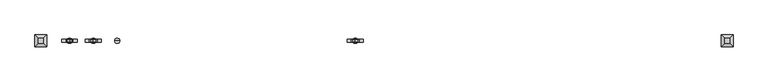
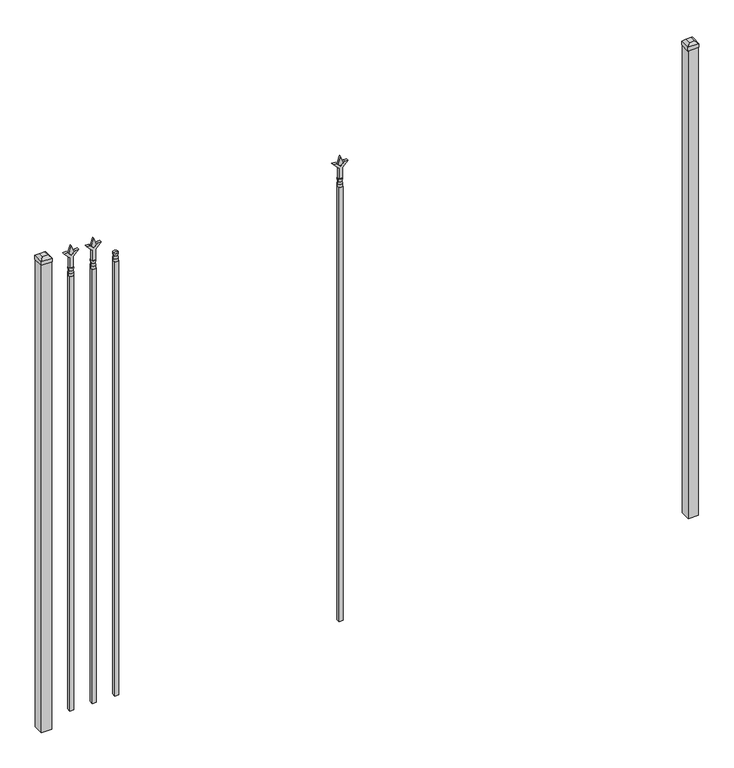
"""IFC4 building model written with IfcOpenShell, lengths in millimetres: railing geometry."""

import ifcopenshell
import ifcopenshell.guid

model = None  # the IFC model being written
_history = None  # IfcOwnerHistory: only IFC2X3 demands one
_inside = {}  # id of a spatial element -> (the spatial element, [elements in it])
_under = {}  # id of a project, library or spatial element -> (it, [spatial elements below it])
_declared = {}  # id of a project -> (the project, [libraries it declares])
_typed = {}  # id of a type object -> (the type object, [elements of that type])
_made_of = {}  # id of a material, layer set ... -> (it, [elements and type objects made of it])


def new_model(schema):
    """Start an empty IFC model of exactly this schema.

    Asked for "IFC4X3", IfcOpenShell would pick the latest addendum, in which some entities
    have other attributes; the version numbers below select the first issue.
    IFC2X3 requires an IfcOwnerHistory on every rooted entity: one is made here for all.
    """
    global model, _history
    if schema == "IFC4X3":
        model = ifcopenshell.file(schema_version=(4, 3, 0, 0))
    else:
        model = ifcopenshell.file(schema=schema)
    _inside.clear()
    _under.clear()
    _declared.clear()
    _typed.clear()
    _made_of.clear()
    _history = None
    if model.schema == "IFC2X3":
        org = make("IfcOrganization", Name="unknown")
        user = make(
            "IfcPersonAndOrganization",
            ThePerson=make("IfcPerson", FamilyName="unknown"),
            TheOrganization=org,
        )
        app = make(
            "IfcApplication",
            ApplicationDeveloper=org,
            Version="unknown",
            ApplicationFullName="unknown",
            ApplicationIdentifier="unknown",
        )
        _history = make(
            "IfcOwnerHistory",
            OwningUser=user,
            OwningApplication=app,
            ChangeAction="ADDED",
            CreationDate=0,
        )
    return model


def make(cls, **values):
    """One entity of the class cls with the attributes given. An attribute that is None is left unset."""
    return model.create_entity(
        cls, **{name: value for name, value in values.items() if value is not None}
    )


def rooted(cls, **values):
    """An entity with a GlobalId (a new one), such as an element, a storey or a relation."""
    return make(cls, GlobalId=ifcopenshell.guid.new(), OwnerHistory=_history, **values)


def si_unit(unit_type, name, prefix=None):
    """IfcSIUnit, for example si_unit("LENGTHUNIT", "METRE", prefix="MILLI")."""
    return make("IfcSIUnit", UnitType=unit_type, Prefix=prefix, Name=name)


def assignment(units):
    """IfcUnitAssignment: the units of a project."""
    return None if units is None else make("IfcUnitAssignment", Units=units)


def point(xyz):
    """IfcCartesianPoint."""
    return None if xyz is None else make("IfcCartesianPoint", Coordinates=xyz)


def direction(xyz):
    """IfcDirection."""
    return None if xyz is None else make("IfcDirection", DirectionRatios=xyz)


def frame(location, z_axis=None, x_axis=None):
    """IfcAxis2Placement3D, a coordinate frame: its origin and axes. An axis left out is left unset."""
    return make(
        "IfcAxis2Placement3D",
        Location=point(location),
        Axis=direction(z_axis),
        RefDirection=direction(x_axis),
    )


def origin():
    """The frame at (0, 0, 0) with its axes left unset."""
    return frame((0.0, 0.0, 0.0))


def origin_with_axes():
    """The frame at (0, 0, 0) with the z axis (0, 0, 1) and the x axis (1, 0, 0) written out."""
    return frame((0.0, 0.0, 0.0), z_axis=(0.0, 0.0, 1.0), x_axis=(1.0, 0.0, 0.0))


def place(relative_to, where):
    """IfcLocalPlacement: puts the frame where relative to a parent placement (None: the world)."""
    return make(
        "IfcLocalPlacement", PlacementRelTo=relative_to, RelativePlacement=where
    )


def context(
    kind, dimensions, precision=None, world=None, true_north=None, identifier=None
):
    """IfcGeometricRepresentationContext, for example the 3D "Model" context."""
    return make(
        "IfcGeometricRepresentationContext",
        ContextIdentifier=identifier,
        ContextType=kind,
        CoordinateSpaceDimension=dimensions,
        Precision=precision,
        WorldCoordinateSystem=world,
        TrueNorth=true_north,
    )


def project(units=None, contexts=None):
    """IfcProject with its units and contexts."""
    return rooted(
        "IfcProject",
        Name="project",
        RepresentationContexts=contexts,
        UnitsInContext=assignment(units),
    )


def spatial(cls, under=None, at=None, **own):
    """A site, building, storey or space (cls), placed at a placement, below another one or the project."""
    s = rooted(cls, ObjectPlacement=at, **own)
    if under is not None:
        _under.setdefault(under.id(), (under, []))[1].append(s)
    return s


def polyline(points):
    """IfcPolyline through the points."""
    return make("IfcPolyline", Points=[point(p) for p in points])


def circle_curve(where, radius):
    """IfcCircle in the frame where."""
    return make("IfcCircle", Position=where, Radius=radius)


def outline(outer, holes=None, kind="AREA"):
    """IfcArbitraryClosedProfileDef: a profile drawn as a closed curve; with holes, ...WithVoids."""
    if holes is None:
        return make("IfcArbitraryClosedProfileDef", ProfileType=kind, OuterCurve=outer)
    return make(
        "IfcArbitraryProfileDefWithVoids",
        ProfileType=kind,
        OuterCurve=outer,
        InnerCurves=holes,
    )


def extrude(swept, where, along, depth):
    """IfcExtrudedAreaSolid: the profile swept, set in the frame where, extruded along a direction by depth."""
    return make(
        "IfcExtrudedAreaSolid",
        SweptArea=swept,
        Position=where,
        ExtrudedDirection=direction(along),
        Depth=depth,
    )


def faces_of(points, faces, orient=None, outer=None):
    """IfcFace entities. A face is a list of loops; a loop is a list of indices into points, from 0.

    orient and outer hold one flag for each loop. By default every Orientation is true, the
    first loop of a face is its IfcFaceOuterBound and the others are IfcFaceBound.
    """
    made = []
    for i, loops in enumerate(faces):
        bounds = []
        for j, loop in enumerate(loops):
            is_outer = j == 0 if outer is None else outer[i][j]
            bounds.append(
                make(
                    "IfcFaceOuterBound" if is_outer else "IfcFaceBound",
                    Bound=make("IfcPolyLoop", Polygon=[points[k] for k in loop]),
                    Orientation=True if orient is None else orient[i][j],
                )
            )
        made.append(make("IfcFace", Bounds=bounds))
    return made


def faceted_brep(points, faces, orient=None, outer=None, voids=None):
    """IfcFacetedBrep: a solid bounded by flat faces; with voids (closed shells), ...WithVoids."""
    shared = [point(p) for p in points]
    hull = make("IfcClosedShell", CfsFaces=faces_of(shared, faces, orient, outer))
    if voids is None:
        return make("IfcFacetedBrep", Outer=hull)
    return make(
        "IfcFacetedBrepWithVoids",
        Outer=hull,
        Voids=[
            make(cls, CfsFaces=faces_of(shared, fs, o, b)) for cls, fs, o, b in voids
        ],
    )


def shape(context_of_items, identifier, shape_type, items):
    """IfcShapeRepresentation: the items that make up one representation, for example the "Body"."""
    return make(
        "IfcShapeRepresentation",
        ContextOfItems=context_of_items,
        RepresentationIdentifier=identifier,
        RepresentationType=shape_type,
        Items=items,
    )


def source(mapping_origin, context_of_items, identifier, shape_type, items):
    """IfcRepresentationMap: a shape defined once, which mapped items show again and again."""
    return make(
        "IfcRepresentationMap",
        MappingOrigin=mapping_origin,
        MappedRepresentation=shape(context_of_items, identifier, shape_type, items),
    )


def transform(
    local_origin,
    x_axis=None,
    y_axis=None,
    z_axis=None,
    scale=None,
    scale2=None,
    scale3=None,
    uniform=True,
):
    """IfcCartesianTransformationOperator3D, or its non-uniform kind. x_axis, y_axis, z_axis: its Axis1, 2, 3."""
    if uniform:
        return make(
            "IfcCartesianTransformationOperator3D",
            Axis1=direction(x_axis),
            Axis2=direction(y_axis),
            LocalOrigin=point(local_origin),
            Scale=scale,
            Axis3=direction(z_axis),
        )
    return make(
        "IfcCartesianTransformationOperator3DnonUniform",
        Axis1=direction(x_axis),
        Axis2=direction(y_axis),
        LocalOrigin=point(local_origin),
        Scale=scale,
        Axis3=direction(z_axis),
        Scale2=scale2,
        Scale3=scale3,
    )


def mapped(mapping_source, mapping_target):
    """IfcMappedItem: shows the shape of a source again, moved by a transform."""
    return make(
        "IfcMappedItem", MappingSource=mapping_source, MappingTarget=mapping_target
    )


def made_of(thing, what):
    """Note that an element or type object is made of a material, layer set ...; save() writes the relation."""
    if what is not None:
        _made_of.setdefault(what.id(), (what, []))[1].append(thing)
    return thing


def element(
    cls,
    number,
    at=None,
    inside=None,
    cuts=None,
    type_object=None,
    material=None,
    context=None,
    identifier="Body",
    shape_type=None,
    held_by="IfcProductDefinitionShape",
    body=None,
    shapes=None,
    **own,
):
    """One element of the class cls, such as IfcWall. Its Tag is "e" and its number.

    at: its placement. inside: the storey or other place that contains it. cuts: it is an
    opening in that element (IfcRelVoidsElement). A single representation is given by context,
    identifier, shape_type and body (its items); several are given by shapes. held_by: the class
    of the entity that holds the representations. save() writes the other relations.
    """
    e = rooted(cls, Tag="e%d" % number, ObjectPlacement=at, **own)
    if body is not None:
        shapes = [shape(context, identifier, shape_type, body)]
    if shapes is not None:
        e.Representation = make(held_by, Representations=shapes)
    if inside is not None:
        _inside.setdefault(inside.id(), (inside, []))[1].append(e)
    if cuts is not None:
        rooted(
            "IfcRelVoidsElement", RelatingBuildingElement=cuts, RelatedOpeningElement=e
        )
    if type_object is not None:
        _typed.setdefault(type_object.id(), (type_object, []))[1].append(e)
    return made_of(e, material)


def aggregate(whole, parts):
    """IfcRelAggregates: a whole, such as a stair, and the parts it consists of."""
    return rooted("IfcRelAggregates", RelatingObject=whole, RelatedObjects=parts)


def save(model, path):
    """Write the relations noted so far, then the file.

    IfcRelAggregates (storeys below a building ...), IfcRelContainedInSpatialStructure (elements
    in a storey), IfcRelDefinesByType, IfcRelAssociatesMaterial and IfcRelDeclares: one each for
    every whole, place, type object, material and project.
    """
    for whole, parts in _under.values():
        aggregate(whole, parts)
    for where, things in _inside.values():
        rooted(
            "IfcRelContainedInSpatialStructure",
            RelatedElements=things,
            RelatingStructure=where,
        )
    for kind, things in _typed.values():
        rooted("IfcRelDefinesByType", RelatedObjects=things, RelatingType=kind)
    for what, things in _made_of.values():
        rooted("IfcRelAssociatesMaterial", RelatedObjects=things, RelatingMaterial=what)
    for by, libraries in _declared.values():
        rooted("IfcRelDeclares", RelatingContext=by, RelatedDefinitions=libraries)
    model.write(path)


def plane_surface(at):
    """IfcPlane: the flat surface through the origin of the frame at, square to its z axis."""
    return make("IfcPlane", Position=at)


def cylinder_surface(at, radius):
    """IfcCylindricalSurface: all points at the distance radius from the z axis of the frame at."""
    return make("IfcCylindricalSurface", Position=at, Radius=radius)


def revolved_surface(curve, axis_point, axis_direction):
    """IfcSurfaceOfRevolution: the curve turned about the line through axis_point along axis_direction."""
    return make(
        "IfcSurfaceOfRevolution",
        SweptCurve=make("IfcArbitraryOpenProfileDef", ProfileType="CURVE", Curve=curve),
        AxisPosition=make("IfcAxis1Placement", Location=point(axis_point), Axis=direction(axis_direction)),
    )


def advanced_brep(points, edges, surfaces, faces):
    """IfcAdvancedBrep: a solid bounded by faces that lie on surfaces and meet in shared edges.

    An edge is (start, end): straight between two places in points (the first is 0);
    or (start, end, curve); or (start, end, curve, False) where it runs against its curve.
    A face is (place in surfaces, loops), or (place, loops, False) where it looks against
    its surface's normal. A loop lists edges by number (the first is 1), with a minus sign
    where the edge is run from its end to its start. The first loop is the outer one.
    """
    corners = [point(p) for p in points]
    vertices = [make("IfcVertexPoint", VertexGeometry=c) for c in corners]
    made = []
    for start, end, *more in edges:
        made.append(
            make(
                "IfcEdgeCurve",
                EdgeStart=vertices[start],
                EdgeEnd=vertices[end],
                EdgeGeometry=more[0] if more else make("IfcPolyline", Points=[corners[start], corners[end]]),
                SameSense=more[1] if len(more) > 1 else True,
            )
        )
    hull = []
    for where, loops, *sense in faces:
        bounds = []
        for j, loop in enumerate(loops):
            ring = [make("IfcOrientedEdge", EdgeElement=made[abs(k) - 1], Orientation=k > 0) for k in loop]
            bounds.append(
                make(
                    "IfcFaceOuterBound" if j == 0 else "IfcFaceBound",
                    Bound=make("IfcEdgeLoop", EdgeList=ring),
                    Orientation=True,
                )
            )
        hull.append(make("IfcAdvancedFace", Bounds=bounds, FaceSurface=surfaces[where], SameSense=sense[0] if sense else True))
    return make("IfcAdvancedBrep", Outer=make("IfcClosedShell", CfsFaces=hull))


def railing_48e66b36(model_context):
    return source(origin(), model_context, "Body", "SolidModel", [
        advanced_brep(
        [(-54887.1035036, -9169.6570174, 2298.7), (-54910.9160036, -9169.6570174, 2298.7), (-54910.9160036, -9169.6570174, 2286.0), (-54887.1035036, -9169.6570174, 2286.0), (-54889.3088355, -9169.6570174, 2311.2070585), (-54908.7106718, -9169.6570174, 2311.2070585), (-54887.1035036, -9169.6570174, 2327.275), (-54910.9160036, -9169.6570174, 2327.275), (-54899.0097536, -9169.6570174, 2327.275), (-54899.0097536, -9169.6570174, 2286.0)],
        [
            (0, 1, circle_curve(frame((-54899.0097536, -9169.6570174, 2298.7), z_axis=(0.0, 0.0, -1.0), x_axis=(-1.0, 0.0, 0.0)), 11.90625)),
            (1, 2),
            (2, 3, circle_curve(frame((-54899.0097536, -9169.6570174, 2286.0), z_axis=(0.0, 0.0, 1.0), x_axis=(-1.0, 0.0, 0.0)), 11.90625)),
            (3, 0),
            (1, 0, circle_curve(frame((-54899.0097536, -9169.6570174, 2298.7), z_axis=(0.0, 0.0, -1.0), x_axis=(-1.0, 0.0, 0.0)), 11.90625)),
            (3, 2, circle_curve(frame((-54899.0097536, -9169.6570174, 2286.0), z_axis=(0.0, 0.0, 1.0), x_axis=(-1.0, 0.0, 0.0)), 11.90625)),
            (4, 5, circle_curve(frame((-54899.0097536, -9169.6570174, 2311.2070585), z_axis=(0.0, 0.0, -1.0), x_axis=(-1.0, 0.0, 0.0)), 9.7009181)),
            (5, 1),
            (0, 4),
            (5, 4, circle_curve(frame((-54899.0097536, -9169.6570174, 2311.2070585), z_axis=(0.0, 0.0, -1.0), x_axis=(-1.0, 0.0, 0.0)), 9.7009181)),
            (6, 7, circle_curve(frame((-54899.0097536, -9169.6570174, 2327.275), z_axis=(0.0, 0.0, -1.0), x_axis=(-1.0, 0.0, 0.0)), 11.90625)),
            (7, 5),
            (4, 6),
            (7, 6, circle_curve(frame((-54899.0097536, -9169.6570174, 2327.275), z_axis=(0.0, 0.0, -1.0), x_axis=(-1.0, 0.0, 0.0)), 11.90625)),
            (8, 7),
            (6, 8),
            (2, 9),
            (9, 3),
        ],
        [
            cylinder_surface(frame((-54899.0097536, -9169.6570174, 2286.0), z_axis=(0.0, 0.0, 1.0), x_axis=(-1.0, 0.0, 0.0)), 11.90625),
            revolved_surface(polyline([(-54910.9160036, -9169.6570174, 2298.7), (-54908.7106718, -9169.6570174, 2311.2070585)]), (-54899.0097536, -9169.6570174, 2286.0), (0.0, 0.0, 1.0)),
            revolved_surface(polyline([(-54908.7106718, -9169.6570174, 2311.2070585), (-54910.9160036, -9169.6570174, 2327.275)]), (-54899.0097536, -9169.6570174, 2286.0), (0.0, 0.0, 1.0)),
            plane_surface(frame((-54899.0097536, -9169.6570174, 2327.275), z_axis=(0.0, 0.0, 1.0), x_axis=(-1.0, 0.0, 0.0))),
            plane_surface(frame((-54899.0097536, -9169.6570174, 2286.0), z_axis=(0.0, 0.0, -1.0), x_axis=(-1.0, 0.0, 0.0))),
        ],
        [
            (0, [[1, 2, 3, 4]]),
            (0, [[5, -4, 6, -2]]),
            (1, [[7, 8, -1, 9]]),
            (1, [[10, -9, -5, -8]]),
            (2, [[11, 12, -7, 13]]),
            (2, [[14, -13, -10, -12]]),
            (3, [[15, -11, 16]]),
            (3, [[-16, -14, -15]]),
            (4, [[-3, 17, 18]]),
            (4, [[-6, -18, -17]]),
        ],
    ),
        extrude(outline(polyline([(-54908.5347536, -9160.1320174), (-54889.4847536, -9160.1320174), (-54889.4847536, -9179.1820174), (-54908.5347536, -9179.1820174), (-54908.5347536, -9160.1320174)])), frame((0.0, 0.0, 50.8), z_axis=(0.0, 0.0, 1.0), x_axis=(1.0, 0.0, 0.0)), (0.0, 0.0, 1.0), 2235.2),
        extrude(outline(polyline([(2402.68125, -54996.3764203), (2438.4, -55008.2826703), (2402.68125, -55020.1889203), (2390.775, -55008.2826703), (2402.68125, -54996.3764203)])), frame((0.0, -9174.4195174, 0.0), z_axis=(0.0, 1.0, 0.0), x_axis=(0.0, 0.0, 1.0)), (0.0, 0.0, 1.0), 9.525),
        extrude(outline(polyline([(2327.275, -54999.5514203), (2381.5457378, -54999.5514203), (2408.7355122, -54972.3616458), (2408.7355122, -54990.3221581), (2390.775, -55008.2826703), (2408.7355122, -55026.2431825), (2408.7355122, -55044.2036948), (2381.5457378, -55017.0139203), (2327.275, -55017.0139203), (2327.275, -54999.5514203)])), frame((0.0, -9176.0070174, 0.0), z_axis=(0.0, 1.0, 0.0), x_axis=(0.0, 0.0, 1.0)), (0.0, 0.0, 1.0), 12.7),
        advanced_brep(
        [(-54996.3764203, -9169.6570174, 2298.7), (-55020.1889203, -9169.6570174, 2298.7), (-55020.1889203, -9169.6570174, 2286.0), (-54996.3764203, -9169.6570174, 2286.0), (-54998.5817522, -9169.6570174, 2311.2070585), (-55017.9835884, -9169.6570174, 2311.2070585), (-54996.3764203, -9169.6570174, 2327.275), (-55020.1889203, -9169.6570174, 2327.275), (-55008.2826703, -9169.6570174, 2327.275), (-55008.2826703, -9169.6570174, 2286.0)],
        [
            (0, 1, circle_curve(frame((-55008.2826703, -9169.6570174, 2298.7), z_axis=(0.0, 0.0, -1.0), x_axis=(-1.0, 0.0, 0.0)), 11.90625)),
            (1, 2),
            (2, 3, circle_curve(frame((-55008.2826703, -9169.6570174, 2286.0), z_axis=(0.0, 0.0, 1.0), x_axis=(-1.0, 0.0, 0.0)), 11.90625)),
            (3, 0),
            (1, 0, circle_curve(frame((-55008.2826703, -9169.6570174, 2298.7), z_axis=(0.0, 0.0, -1.0), x_axis=(-1.0, 0.0, 0.0)), 11.90625)),
            (3, 2, circle_curve(frame((-55008.2826703, -9169.6570174, 2286.0), z_axis=(0.0, 0.0, 1.0), x_axis=(-1.0, 0.0, 0.0)), 11.90625)),
            (4, 5, circle_curve(frame((-55008.2826703, -9169.6570174, 2311.2070585), z_axis=(0.0, 0.0, -1.0), x_axis=(-1.0, 0.0, 0.0)), 9.7009181)),
            (5, 1),
            (0, 4),
            (5, 4, circle_curve(frame((-55008.2826703, -9169.6570174, 2311.2070585), z_axis=(0.0, 0.0, -1.0), x_axis=(-1.0, 0.0, 0.0)), 9.7009181)),
            (6, 7, circle_curve(frame((-55008.2826703, -9169.6570174, 2327.275), z_axis=(0.0, 0.0, -1.0), x_axis=(-1.0, 0.0, 0.0)), 11.90625)),
            (7, 5),
            (4, 6),
            (7, 6, circle_curve(frame((-55008.2826703, -9169.6570174, 2327.275), z_axis=(0.0, 0.0, -1.0), x_axis=(-1.0, 0.0, 0.0)), 11.90625)),
            (8, 7),
            (6, 8),
            (2, 9),
            (9, 3),
        ],
        [
            cylinder_surface(frame((-55008.2826703, -9169.6570174, 2286.0), z_axis=(0.0, 0.0, 1.0), x_axis=(-1.0, 0.0, 0.0)), 11.90625),
            revolved_surface(polyline([(-55020.1889203, -9169.6570174, 2298.7), (-55017.9835884, -9169.6570174, 2311.2070585)]), (-55008.2826703, -9169.6570174, 2286.0), (0.0, 0.0, 1.0)),
            revolved_surface(polyline([(-55017.9835884, -9169.6570174, 2311.2070585), (-55020.1889203, -9169.6570174, 2327.275)]), (-55008.2826703, -9169.6570174, 2286.0), (0.0, 0.0, 1.0)),
            plane_surface(frame((-55008.2826703, -9169.6570174, 2327.275), z_axis=(0.0, 0.0, 1.0), x_axis=(-1.0, 0.0, 0.0))),
            plane_surface(frame((-55008.2826703, -9169.6570174, 2286.0), z_axis=(0.0, 0.0, -1.0), x_axis=(-1.0, 0.0, 0.0))),
        ],
        [
            (0, [[1, 2, 3, 4]]),
            (0, [[5, -4, 6, -2]]),
            (1, [[7, 8, -1, 9]]),
            (1, [[10, -9, -5, -8]]),
            (2, [[11, 12, -7, 13]]),
            (2, [[14, -13, -10, -12]]),
            (3, [[15, -11, 16]]),
            (3, [[-16, -14, -15]]),
            (4, [[-3, 17, 18]]),
            (4, [[-6, -18, -17]]),
        ],
    ),
        extrude(outline(polyline([(-55017.8076703, -9160.1320174), (-54998.7576703, -9160.1320174), (-54998.7576703, -9179.1820174), (-55017.8076703, -9179.1820174), (-55017.8076703, -9160.1320174)])), frame((0.0, 0.0, 50.8), z_axis=(0.0, 0.0, 1.0), x_axis=(1.0, 0.0, 0.0)), (0.0, 0.0, 1.0), 2235.2),
        extrude(outline(polyline([(2402.68125, -53794.374337), (2438.4, -53806.280587), (2402.68125, -53818.186837), (2390.775, -53806.280587), (2402.68125, -53794.374337)])), frame((0.0, -9174.4195174, 0.0), z_axis=(0.0, 1.0, 0.0), x_axis=(0.0, 0.0, 1.0)), (0.0, 0.0, 1.0), 9.525),
        extrude(outline(polyline([(2327.275, -53797.549337), (2381.5457378, -53797.549337), (2408.7355122, -53770.3595625), (2408.7355122, -53788.3200747), (2390.775, -53806.280587), (2408.7355122, -53824.2410992), (2408.7355122, -53842.2016114), (2381.5457378, -53815.011837), (2327.275, -53815.011837), (2327.275, -53797.549337)])), frame((0.0, -9176.0070174, 0.0), z_axis=(0.0, 1.0, 0.0), x_axis=(0.0, 0.0, 1.0)), (0.0, 0.0, 1.0), 12.7),
        advanced_brep(
        [(-53794.374337, -9169.6570174, 2298.7), (-53818.186837, -9169.6570174, 2298.7), (-53818.186837, -9169.6570174, 2286.0), (-53794.374337, -9169.6570174, 2286.0), (-53796.5796688, -9169.6570174, 2311.2070585), (-53815.9815051, -9169.6570174, 2311.2070585), (-53794.374337, -9169.6570174, 2327.275), (-53818.186837, -9169.6570174, 2327.275), (-53806.280587, -9169.6570174, 2327.275), (-53806.280587, -9169.6570174, 2286.0)],
        [
            (0, 1, circle_curve(frame((-53806.280587, -9169.6570174, 2298.7), z_axis=(0.0, 0.0, -1.0), x_axis=(-1.0, 0.0, 0.0)), 11.90625)),
            (1, 2),
            (2, 3, circle_curve(frame((-53806.280587, -9169.6570174, 2286.0), z_axis=(0.0, 0.0, 1.0), x_axis=(-1.0, 0.0, 0.0)), 11.90625)),
            (3, 0),
            (1, 0, circle_curve(frame((-53806.280587, -9169.6570174, 2298.7), z_axis=(0.0, 0.0, -1.0), x_axis=(-1.0, 0.0, 0.0)), 11.90625)),
            (3, 2, circle_curve(frame((-53806.280587, -9169.6570174, 2286.0), z_axis=(0.0, 0.0, 1.0), x_axis=(-1.0, 0.0, 0.0)), 11.90625)),
            (4, 5, circle_curve(frame((-53806.280587, -9169.6570174, 2311.2070585), z_axis=(0.0, 0.0, -1.0), x_axis=(-1.0, 0.0, 0.0)), 9.7009181)),
            (5, 1),
            (0, 4),
            (5, 4, circle_curve(frame((-53806.280587, -9169.6570174, 2311.2070585), z_axis=(0.0, 0.0, -1.0), x_axis=(-1.0, 0.0, 0.0)), 9.7009181)),
            (6, 7, circle_curve(frame((-53806.280587, -9169.6570174, 2327.275), z_axis=(0.0, 0.0, -1.0), x_axis=(-1.0, 0.0, 0.0)), 11.90625)),
            (7, 5),
            (4, 6),
            (7, 6, circle_curve(frame((-53806.280587, -9169.6570174, 2327.275), z_axis=(0.0, 0.0, -1.0), x_axis=(-1.0, 0.0, 0.0)), 11.90625)),
            (8, 7),
            (6, 8),
            (2, 9),
            (9, 3),
        ],
        [
            cylinder_surface(frame((-53806.280587, -9169.6570174, 2286.0), z_axis=(0.0, 0.0, 1.0), x_axis=(-1.0, 0.0, 0.0)), 11.90625),
            revolved_surface(polyline([(-53818.186837, -9169.6570174, 2298.7), (-53815.9815051, -9169.6570174, 2311.2070585)]), (-53806.280587, -9169.6570174, 2286.0), (0.0, 0.0, 1.0)),
            revolved_surface(polyline([(-53815.9815051, -9169.6570174, 2311.2070585), (-53818.186837, -9169.6570174, 2327.275)]), (-53806.280587, -9169.6570174, 2286.0), (0.0, 0.0, 1.0)),
            plane_surface(frame((-53806.280587, -9169.6570174, 2327.275), z_axis=(0.0, 0.0, 1.0), x_axis=(-1.0, 0.0, 0.0))),
            plane_surface(frame((-53806.280587, -9169.6570174, 2286.0), z_axis=(0.0, 0.0, -1.0), x_axis=(-1.0, 0.0, 0.0))),
        ],
        [
            (0, [[1, 2, 3, 4]]),
            (0, [[5, -4, 6, -2]]),
            (1, [[7, 8, -1, 9]]),
            (1, [[10, -9, -5, -8]]),
            (2, [[11, 12, -7, 13]]),
            (2, [[14, -13, -10, -12]]),
            (3, [[15, -11, 16]]),
            (3, [[-16, -14, -15]]),
            (4, [[-3, 17, 18]]),
            (4, [[-6, -18, -17]]),
        ],
    ),
        extrude(outline(polyline([(-53815.805587, -9160.1320174), (-53796.755587, -9160.1320174), (-53796.755587, -9179.1820174), (-53815.805587, -9179.1820174), (-53815.805587, -9160.1320174)])), frame((0.0, 0.0, 50.8), z_axis=(0.0, 0.0, 1.0), x_axis=(1.0, 0.0, 0.0)), (0.0, 0.0, 1.0), 2235.2),
        extrude(outline(polyline([(2402.68125, -55105.649337), (2438.4, -55117.555587), (2402.68125, -55129.461837), (2390.775, -55117.555587), (2402.68125, -55105.649337)])), frame((0.0, -9174.4195174, 0.0), z_axis=(0.0, 1.0, 0.0), x_axis=(0.0, 0.0, 1.0)), (0.0, 0.0, 1.0), 9.525),
        extrude(outline(polyline([(2327.275, -55108.824337), (2381.5457378, -55108.824337), (2408.7355122, -55081.6345625), (2408.7355122, -55099.5950747), (2390.775, -55117.555587), (2408.7355122, -55135.5160992), (2408.7355122, -55153.4766114), (2381.5457378, -55126.286837), (2327.275, -55126.286837), (2327.275, -55108.824337)])), frame((0.0, -9176.0070174, 0.0), z_axis=(0.0, 1.0, 0.0), x_axis=(0.0, 0.0, 1.0)), (0.0, 0.0, 1.0), 12.7),
        advanced_brep(
        [(-55105.649337, -9169.6570174, 2298.7), (-55129.461837, -9169.6570174, 2298.7), (-55129.461837, -9169.6570174, 2286.0), (-55105.649337, -9169.6570174, 2286.0), (-55107.8546688, -9169.6570174, 2311.2070585), (-55127.2565051, -9169.6570174, 2311.2070585), (-55105.649337, -9169.6570174, 2327.275), (-55129.461837, -9169.6570174, 2327.275), (-55117.555587, -9169.6570174, 2327.275), (-55117.555587, -9169.6570174, 2286.0)],
        [
            (0, 1, circle_curve(frame((-55117.555587, -9169.6570174, 2298.7), z_axis=(0.0, 0.0, -1.0), x_axis=(-1.0, 0.0, 0.0)), 11.90625)),
            (1, 2),
            (2, 3, circle_curve(frame((-55117.555587, -9169.6570174, 2286.0), z_axis=(0.0, 0.0, 1.0), x_axis=(-1.0, 0.0, 0.0)), 11.90625)),
            (3, 0),
            (1, 0, circle_curve(frame((-55117.555587, -9169.6570174, 2298.7), z_axis=(0.0, 0.0, -1.0), x_axis=(-1.0, 0.0, 0.0)), 11.90625)),
            (3, 2, circle_curve(frame((-55117.555587, -9169.6570174, 2286.0), z_axis=(0.0, 0.0, 1.0), x_axis=(-1.0, 0.0, 0.0)), 11.90625)),
            (4, 5, circle_curve(frame((-55117.555587, -9169.6570174, 2311.2070585), z_axis=(0.0, 0.0, -1.0), x_axis=(-1.0, 0.0, 0.0)), 9.7009181)),
            (5, 1),
            (0, 4),
            (5, 4, circle_curve(frame((-55117.555587, -9169.6570174, 2311.2070585), z_axis=(0.0, 0.0, -1.0), x_axis=(-1.0, 0.0, 0.0)), 9.7009181)),
            (6, 7, circle_curve(frame((-55117.555587, -9169.6570174, 2327.275), z_axis=(0.0, 0.0, -1.0), x_axis=(-1.0, 0.0, 0.0)), 11.90625)),
            (7, 5),
            (4, 6),
            (7, 6, circle_curve(frame((-55117.555587, -9169.6570174, 2327.275), z_axis=(0.0, 0.0, -1.0), x_axis=(-1.0, 0.0, 0.0)), 11.90625)),
            (8, 7),
            (6, 8),
            (2, 9),
            (9, 3),
        ],
        [
            cylinder_surface(frame((-55117.555587, -9169.6570174, 2286.0), z_axis=(0.0, 0.0, 1.0), x_axis=(-1.0, 0.0, 0.0)), 11.90625),
            revolved_surface(polyline([(-55129.461837, -9169.6570174, 2298.7), (-55127.2565051, -9169.6570174, 2311.2070585)]), (-55117.555587, -9169.6570174, 2286.0), (0.0, 0.0, 1.0)),
            revolved_surface(polyline([(-55127.2565051, -9169.6570174, 2311.2070585), (-55129.461837, -9169.6570174, 2327.275)]), (-55117.555587, -9169.6570174, 2286.0), (0.0, 0.0, 1.0)),
            plane_surface(frame((-55117.555587, -9169.6570174, 2327.275), z_axis=(0.0, 0.0, 1.0), x_axis=(-1.0, 0.0, 0.0))),
            plane_surface(frame((-55117.555587, -9169.6570174, 2286.0), z_axis=(0.0, 0.0, -1.0), x_axis=(-1.0, 0.0, 0.0))),
        ],
        [
            (0, [[1, 2, 3, 4]]),
            (0, [[5, -4, 6, -2]]),
            (1, [[7, 8, -1, 9]]),
            (1, [[10, -9, -5, -8]]),
            (2, [[11, 12, -7, 13]]),
            (2, [[14, -13, -10, -12]]),
            (3, [[15, -11, 16]]),
            (3, [[-16, -14, -15]]),
            (4, [[-3, 17, 18]]),
            (4, [[-6, -18, -17]]),
        ],
    ),
        extrude(outline(polyline([(-55127.080587, -9160.1320174), (-55108.030587, -9160.1320174), (-55108.030587, -9179.1820174), (-55127.080587, -9179.1820174), (-55127.080587, -9160.1320174)])), frame((0.0, 0.0, 50.8), z_axis=(0.0, 0.0, 1.0), x_axis=(1.0, 0.0, 0.0)), (0.0, 0.0, 1.0), 2235.2),
        extrude(outline(polyline([(-52074.318087, -9144.2570174), (-52074.318087, -9195.0570174), (-52125.118087, -9195.0570174), (-52125.118087, -9144.2570174), (-52074.318087, -9144.2570174)])), origin_with_axes(), (0.0, 0.0, 1.0), 2406.65),
        faceted_brep([(-52126.705587, -9142.6695174, 2425.7), (-52126.705587, -9142.6695174, 2406.65), (-52126.705587, -9196.6445174, 2406.65), (-52126.705587, -9196.6445174, 2425.7), (-52114.005587, -9155.3695174, 2438.4), (-52114.005587, -9183.9445174, 2438.4), (-52072.730587, -9196.6445174, 2406.65), (-52072.730587, -9196.6445174, 2425.7), (-52085.430587, -9183.9445174, 2438.4), (-52072.730587, -9142.6695174, 2406.65), (-52072.730587, -9142.6695174, 2425.7), (-52085.430587, -9155.3695174, 2438.4)], [[[0, 1, 2, 3]], [[4, 0, 3, 5]], [[3, 2, 6, 7]], [[5, 3, 7, 8]], [[7, 6, 9, 10]], [[8, 7, 10, 11]], [[10, 9, 1, 0]], [[11, 10, 0, 4]], [[5, 8, 11, 4]], [[1, 9, 6, 2]]]),
        extrude(outline(polyline([(-55223.918087, -9144.2570174), (-55223.918087, -9195.0570174), (-55274.718087, -9195.0570174), (-55274.718087, -9144.2570174), (-55223.918087, -9144.2570174)])), origin_with_axes(), (0.0, 0.0, 1.0), 2406.65),
        faceted_brep([(-55276.305587, -9142.6695174, 2425.7), (-55276.305587, -9142.6695174, 2406.65), (-55276.305587, -9196.6445174, 2406.65), (-55276.305587, -9196.6445174, 2425.7), (-55263.605587, -9155.3695174, 2438.4), (-55263.605587, -9183.9445174, 2438.4), (-55222.330587, -9196.6445174, 2406.65), (-55222.330587, -9196.6445174, 2425.7), (-55235.030587, -9183.9445174, 2438.4), (-55222.330587, -9142.6695174, 2406.65), (-55222.330587, -9142.6695174, 2425.7), (-55235.030587, -9155.3695174, 2438.4)], [[[0, 1, 2, 3]], [[4, 0, 3, 5]], [[3, 2, 6, 7]], [[5, 3, 7, 8]], [[7, 6, 9, 10]], [[8, 7, 10, 11]], [[10, 9, 1, 0]], [[11, 10, 0, 4]], [[5, 8, 11, 4]], [[1, 9, 6, 2]]]),
    ])


if __name__ == "__main__":
    model = new_model("IFC4")
    model_context = context("Model", 3, world=origin())
    ifc_project = project(units=[si_unit("LENGTHUNIT", "METRE", prefix="MILLI")], contexts=[model_context])
    site = spatial("IfcSite", under=ifc_project)
    building = spatial("IfcBuilding", under=site)
    placement = place(None, origin())
    railing_shape = railing_48e66b36(model_context)
    element("IfcRailing", 1, at=placement, inside=building, context=model_context, shape_type="MappedRepresentation", body=[
        mapped(railing_shape, transform((0.0, 0.0, 0.0), x_axis=(1.0, 0.0, 0.0), y_axis=(0.0, 1.0, 0.0), z_axis=(0.0, 0.0, 1.0))),
    ])
    save(model, "model.ifc")
